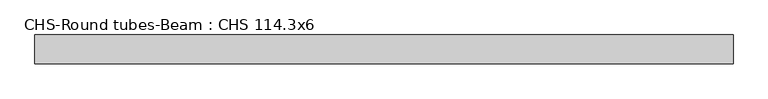
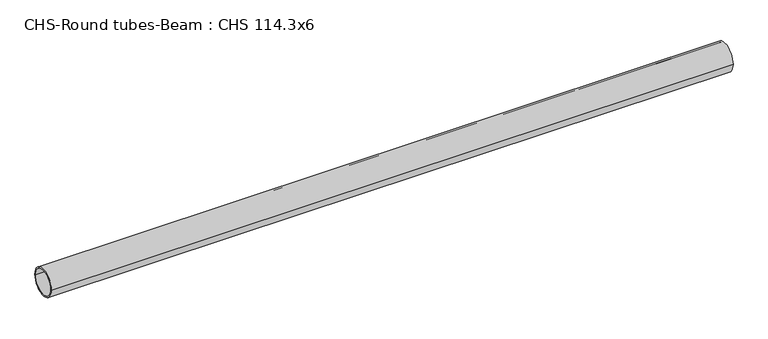
"""IFC4 building model written with IfcOpenShell, lengths in millimetres: beam geometry, CHS-Round tubes-Beam : CHS 114.3x6."""

from ifc_helpers import new_model, si_unit, point, frame, origin, origin_2d, place, context, project, spatial, circle_curve, trimmed, segment, composite_curve, outline, extrude, source, transform, mapped, element, save


def chs_round_tubes_beam_chs_114_3x6_340f6e5c(model_context):
    return source(origin(), model_context, "Body", "SweptSolid", [
        extrude(outline(composite_curve([segment(trimmed(circle_curve(origin_2d(), 57.15), [point((57.15, 0.0))], [point((-57.15, 0.0))], False, "CARTESIAN"), True, "CONTINUOUS"), segment(trimmed(circle_curve(origin_2d(), 57.15), [point((-57.15, 0.0))], [point((57.15, 0.0))], False, "CARTESIAN"), True, "CONTINUOUS")], self_intersect=False), holes=[composite_curve([segment(trimmed(circle_curve(origin_2d(), 51.15), [point((51.15, 0.0))], [point((-51.15, 0.0))], True, "CARTESIAN"), True, "CONTINUOUS"), segment(trimmed(circle_curve(origin_2d(), 51.15), [point((-51.15, 0.0))], [point((51.15, 0.0))], True, "CARTESIAN"), True, "CONTINUOUS")], self_intersect=False)]), frame((-1338.8883127, 0.0, 0.0), z_axis=(1.0, 0.0, 0.0), x_axis=(0.0, 1.0, 0.0)), (0.0, 0.0, 1.0), 2762.2786822),
    ])


if __name__ == "__main__":
    model = new_model("IFC4")
    model_context = context("Model", 3, world=origin())
    ifc_project = project(units=[si_unit("LENGTHUNIT", "METRE", prefix="MILLI")], contexts=[model_context])
    site = spatial("IfcSite", under=ifc_project)
    building = spatial("IfcBuilding", under=site)
    placement = place(None, origin())
    chs_round_tubes_beam_chs_114_3x6_shape = chs_round_tubes_beam_chs_114_3x6_340f6e5c(model_context)
    element("IfcBeam", 1, ObjectType="CHS-Round tubes-Beam : CHS 114.3x6", at=placement, inside=building, context=model_context, shape_type="MappedRepresentation", body=[
        mapped(chs_round_tubes_beam_chs_114_3x6_shape, transform((0.0, 0.0, 0.0), x_axis=(1.0, 0.0, 0.0), y_axis=(0.0, 1.0, 0.0), z_axis=(0.0, 0.0, 1.0))),
    ])
    save(model, "model.ifc")
